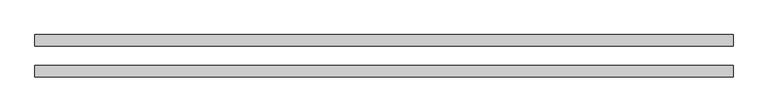
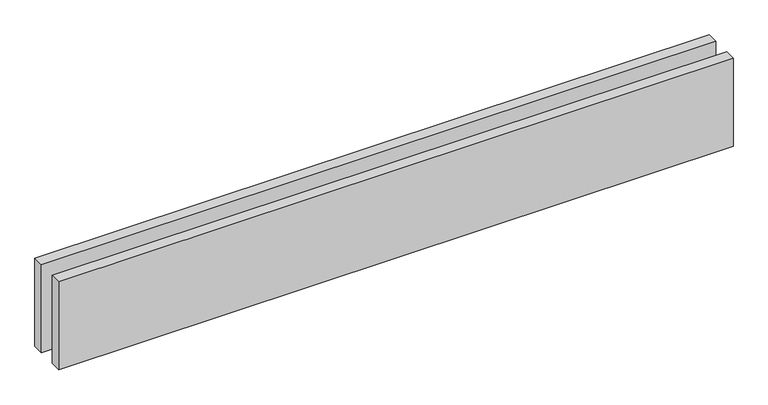
"""IFC4 building model written with IfcOpenShell, lengths in millimetres: proxy geometry."""

from ifc_helpers import new_model, si_unit, origin, origin_with_axes, place, context, project, spatial, polyline, outline, extrude, source, transform, mapped, element, save


def generic_models_4d14859a(model_context):
    return source(origin(), model_context, "Body", "SweptSolid", [
        extrude(outline(polyline([(1813.2034356, -25.0), (1813.2034356, -55.0), (0.0, -55.0), (0.0, -25.0), (1813.2034356, -25.0)])), origin_with_axes(), (0.0, 0.0, 1.0), 250.0),
        extrude(outline(polyline([(1813.2034356, 55.0), (1813.2034356, 25.0), (0.0, 25.0), (0.0, 55.0), (1813.2034356, 55.0)])), origin_with_axes(), (0.0, 0.0, 1.0), 250.0),
    ])


if __name__ == "__main__":
    model = new_model("IFC4")
    model_context = context("Model", 3, world=origin())
    ifc_project = project(units=[si_unit("LENGTHUNIT", "METRE", prefix="MILLI")], contexts=[model_context])
    site = spatial("IfcSite", under=ifc_project)
    building = spatial("IfcBuilding", under=site)
    placement = place(None, origin())
    generic_models_shape = generic_models_4d14859a(model_context)
    element("IfcBuildingElementProxy", 1, Name="Generic Models", at=placement, inside=building, context=model_context, shape_type="MappedRepresentation", body=[
        mapped(generic_models_shape, transform((0.0, 0.0, 0.0), x_axis=(1.0, 0.0, 0.0), y_axis=(0.0, 1.0, 0.0), z_axis=(0.0, 0.0, 1.0))),
    ])
    save(model, "model.ifc")
